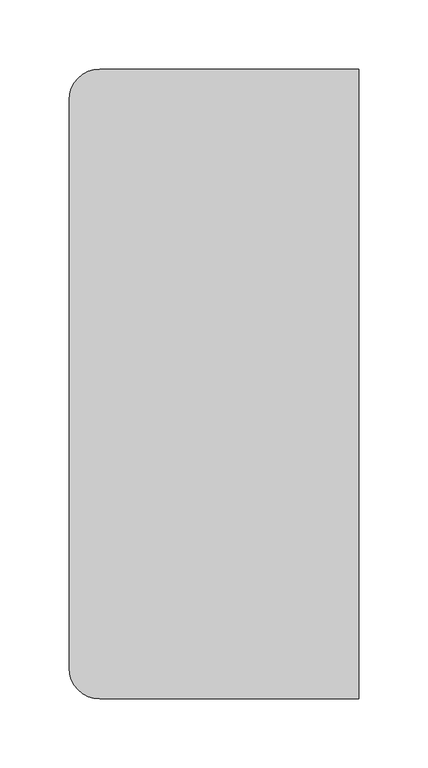
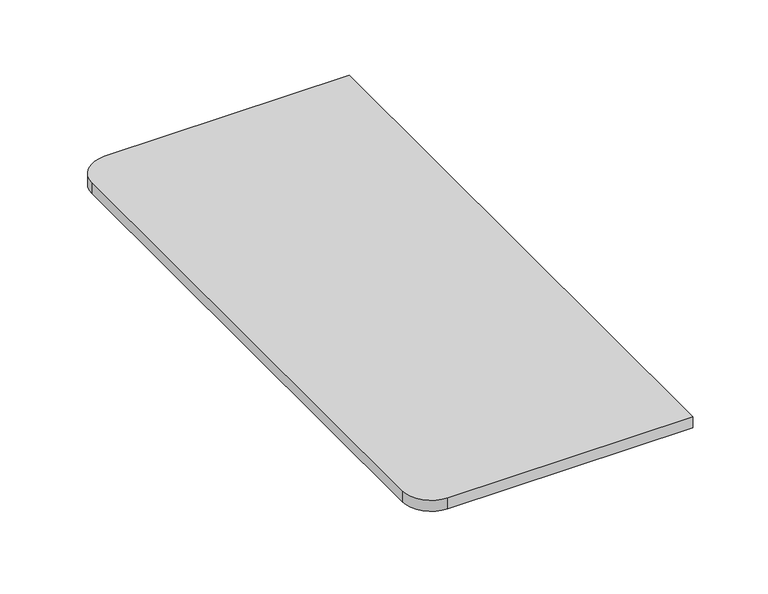
"""IFC4 building model written with IfcOpenShell, lengths in millimetres: furniture geometry."""

from ifc_helpers import new_model, si_unit, point, frame, frame_2d, origin, place, context, project, spatial, polyline, circle_curve, trimmed, segment, composite_curve, outline, extrude, source, transform, mapped, element, save


def furniture_21e04ba2(model_context):
    return source(origin(), model_context, "Body", "SweptSolid", [
        extrude(outline(composite_curve([segment(polyline([(104.775, 227.80625), (104.775, -227.80625), (-82.55, -227.80625)]), True, "CONTINUOUS"), segment(trimmed(circle_curve(frame_2d((-82.55, -205.58125)), 22.225), [point((-82.55, -227.80625))], [point((-104.775, -205.58125))], False, "CARTESIAN"), True, "CONTINUOUS"), segment(polyline([(-104.775, -205.58125), (-104.775, 205.58125)]), True, "CONTINUOUS"), segment(trimmed(circle_curve(frame_2d((-82.55, 205.58125)), 22.225), [point((-104.775, 205.58125))], [point((-82.55, 227.80625))], False, "CARTESIAN"), True, "CONTINUOUS"), segment(polyline([(-82.55, 227.80625), (104.775, 227.80625)]), True, "CONTINUOUS")], self_intersect=False)), frame((0.0, 0.0, 626.0566505), z_axis=(0.0, 0.0, 1.0), x_axis=(1.0, 0.0, 0.0)), (0.0, 0.0, 1.0), 8.9433495),
    ])


if __name__ == "__main__":
    model = new_model("IFC4")
    model_context = context("Model", 3, world=origin())
    ifc_project = project(units=[si_unit("LENGTHUNIT", "METRE", prefix="MILLI")], contexts=[model_context])
    site = spatial("IfcSite", under=ifc_project)
    building = spatial("IfcBuilding", under=site)
    placement = place(None, origin())
    furniture_shape = furniture_21e04ba2(model_context)
    element("IfcFurniture", 1, at=placement, inside=building, context=model_context, shape_type="MappedRepresentation", body=[
        mapped(furniture_shape, transform((0.0, 0.0, 0.0), x_axis=(1.0, 0.0, 0.0), y_axis=(0.0, 1.0, 0.0), z_axis=(0.0, 0.0, 1.0))),
    ])
    save(model, "model.ifc")
